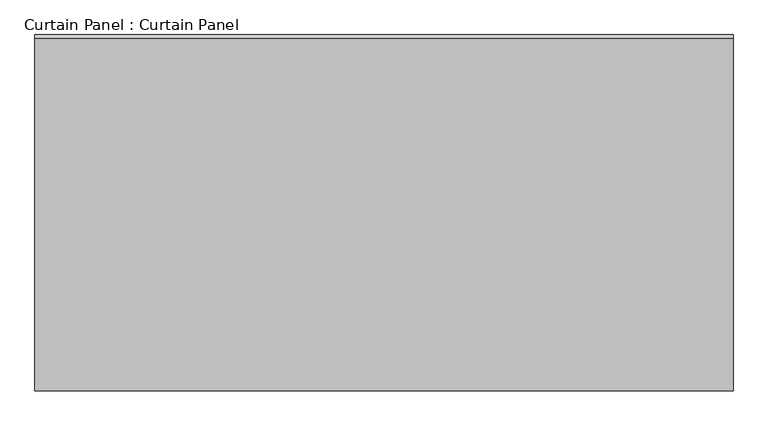
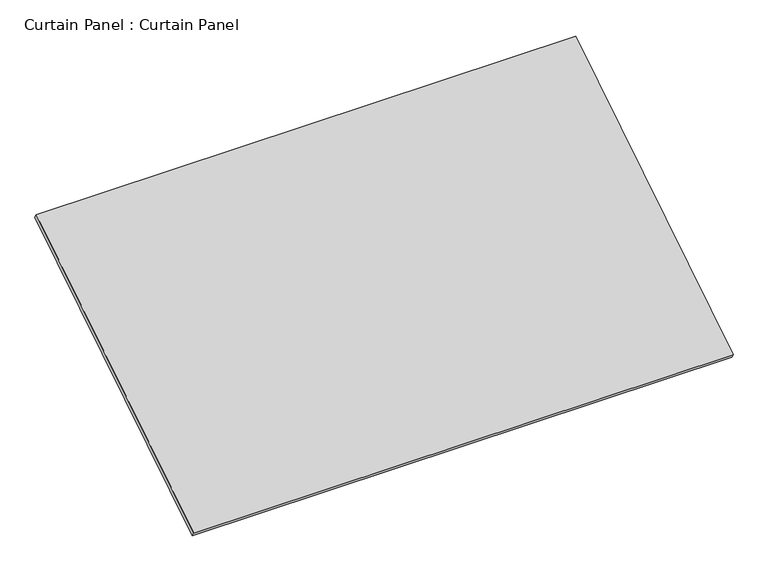
"""IFC4 building model written with IfcOpenShell, lengths in millimetres: plate geometry, Curtain Panel : Curtain Panel."""

from ifc_helpers import new_model, si_unit, frame, origin, place, context, project, spatial, polyline, outline, extrude, source, transform, mapped, element, save


def curtain_panel_curtain_panel_cb20e800(model_context):
    return source(origin(), model_context, "Body", "SweptSolid", [
        extrude(outline(polyline([(-63.5, 0.0), (-63.5, -1782.4164482), (-3048.0, -1782.4164482), (-3048.0, 0.0), (-63.5, 0.0)])), frame((-123766.6430895, 3817.3599492, 12045.6104005), z_axis=(0.0, -0.5318918435658209, 0.8468122972348432), x_axis=(-1.0, 0.0, 0.0)), (0.0, 0.0, 1.0), 25.4),
    ])


if __name__ == "__main__":
    model = new_model("IFC4")
    model_context = context("Model", 3, world=origin())
    ifc_project = project(units=[si_unit("LENGTHUNIT", "METRE", prefix="MILLI")], contexts=[model_context])
    site = spatial("IfcSite", under=ifc_project)
    building = spatial("IfcBuilding", under=site)
    placement = place(None, origin())
    curtain_panel_curtain_panel_shape = curtain_panel_curtain_panel_cb20e800(model_context)
    element("IfcPlate", 1, ObjectType="Curtain Panel : Curtain Panel", at=placement, inside=building, context=model_context, shape_type="MappedRepresentation", body=[
        mapped(curtain_panel_curtain_panel_shape, transform((0.0, 0.0, 0.0), x_axis=(1.0, 0.0, 0.0), y_axis=(0.0, 1.0, 0.0), z_axis=(0.0, 0.0, 1.0))),
    ])
    save(model, "model.ifc")
